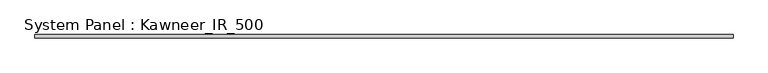
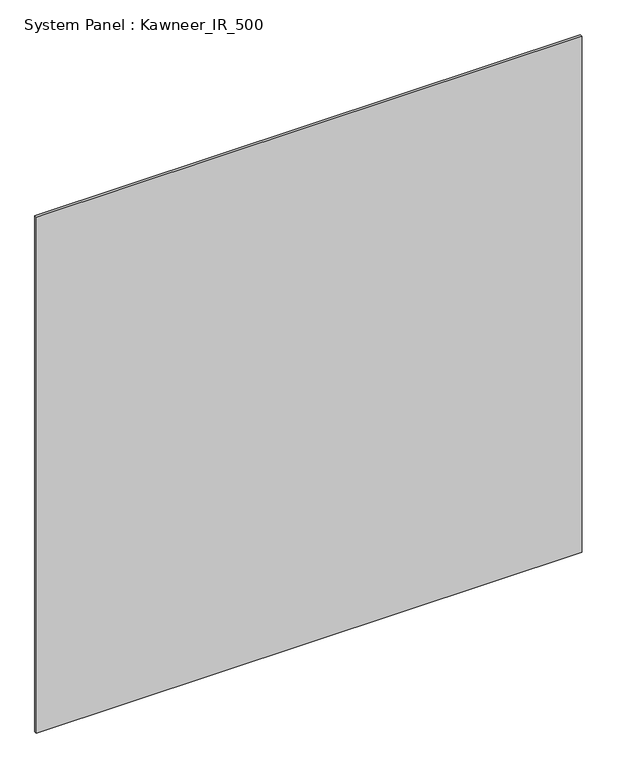
"""IFC4 building model written with IfcOpenShell, lengths in millimetres: plate geometry, System Panel : Kawneer_IR_500."""

from ifc_helpers import new_model, si_unit, origin, origin_with_axes, place, context, project, spatial, polyline, outline, extrude, source, transform, mapped, element, save


def system_panel_kawneer_ir_500_3d318164(model_context):
    return source(origin(), model_context, "Body", "SweptSolid", [
        extrude(outline(polyline([(714.2848003, -7.7), (-714.2848003, -7.7), (-714.2848003, -1.3), (714.2848003, -1.3), (714.2848003, -7.7)])), origin_with_axes(), (0.0, 0.0, 1.0), 1427.3786759),
    ])


if __name__ == "__main__":
    model = new_model("IFC4")
    model_context = context("Model", 3, world=origin())
    ifc_project = project(units=[si_unit("LENGTHUNIT", "METRE", prefix="MILLI")], contexts=[model_context])
    site = spatial("IfcSite", under=ifc_project)
    building = spatial("IfcBuilding", under=site)
    placement = place(None, origin())
    system_panel_kawneer_ir_500_shape = system_panel_kawneer_ir_500_3d318164(model_context)
    element("IfcPlate", 1, ObjectType="System Panel : Kawneer_IR_500", at=placement, inside=building, context=model_context, shape_type="MappedRepresentation", body=[
        mapped(system_panel_kawneer_ir_500_shape, transform((0.0, 0.0, 0.0), x_axis=(1.0, 0.0, 0.0), y_axis=(0.0, 1.0, 0.0), z_axis=(0.0, 0.0, 1.0))),
    ])
    save(model, "model.ifc")
